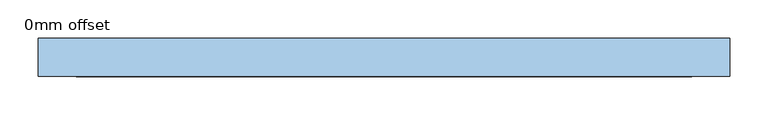
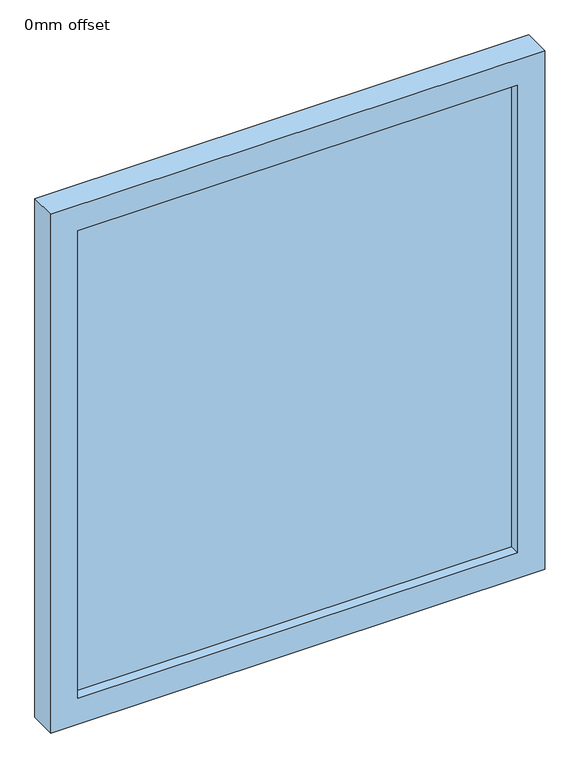
"""IFC4 building model written with IfcOpenShell, lengths in millimetres: window geometry, 0mm offset."""

import ifcopenshell
import ifcopenshell.guid

model = None  # the IFC model being written
_history = None  # IfcOwnerHistory: only IFC2X3 demands one
_inside = {}  # id of a spatial element -> (the spatial element, [elements in it])
_under = {}  # id of a project, library or spatial element -> (it, [spatial elements below it])
_declared = {}  # id of a project -> (the project, [libraries it declares])
_typed = {}  # id of a type object -> (the type object, [elements of that type])
_made_of = {}  # id of a material, layer set ... -> (it, [elements and type objects made of it])


def new_model(schema):
    """Start an empty IFC model of exactly this schema.

    Asked for "IFC4X3", IfcOpenShell would pick the latest addendum, in which some entities
    have other attributes; the version numbers below select the first issue.
    IFC2X3 requires an IfcOwnerHistory on every rooted entity: one is made here for all.
    """
    global model, _history
    if schema == "IFC4X3":
        model = ifcopenshell.file(schema_version=(4, 3, 0, 0))
    else:
        model = ifcopenshell.file(schema=schema)
    _inside.clear()
    _under.clear()
    _declared.clear()
    _typed.clear()
    _made_of.clear()
    _history = None
    if model.schema == "IFC2X3":
        org = make("IfcOrganization", Name="unknown")
        user = make(
            "IfcPersonAndOrganization",
            ThePerson=make("IfcPerson", FamilyName="unknown"),
            TheOrganization=org,
        )
        app = make(
            "IfcApplication",
            ApplicationDeveloper=org,
            Version="unknown",
            ApplicationFullName="unknown",
            ApplicationIdentifier="unknown",
        )
        _history = make(
            "IfcOwnerHistory",
            OwningUser=user,
            OwningApplication=app,
            ChangeAction="ADDED",
            CreationDate=0,
        )
    return model


def make(cls, **values):
    """One entity of the class cls with the attributes given. An attribute that is None is left unset."""
    return model.create_entity(
        cls, **{name: value for name, value in values.items() if value is not None}
    )


def rooted(cls, **values):
    """An entity with a GlobalId (a new one), such as an element, a storey or a relation."""
    return make(cls, GlobalId=ifcopenshell.guid.new(), OwnerHistory=_history, **values)


def si_unit(unit_type, name, prefix=None):
    """IfcSIUnit, for example si_unit("LENGTHUNIT", "METRE", prefix="MILLI")."""
    return make("IfcSIUnit", UnitType=unit_type, Prefix=prefix, Name=name)


def assignment(units):
    """IfcUnitAssignment: the units of a project."""
    return None if units is None else make("IfcUnitAssignment", Units=units)


def point(xyz):
    """IfcCartesianPoint."""
    return None if xyz is None else make("IfcCartesianPoint", Coordinates=xyz)


def direction(xyz):
    """IfcDirection."""
    return None if xyz is None else make("IfcDirection", DirectionRatios=xyz)


def frame(location, z_axis=None, x_axis=None):
    """IfcAxis2Placement3D, a coordinate frame: its origin and axes. An axis left out is left unset."""
    return make(
        "IfcAxis2Placement3D",
        Location=point(location),
        Axis=direction(z_axis),
        RefDirection=direction(x_axis),
    )


def origin():
    """The frame at (0, 0, 0) with its axes left unset."""
    return frame((0.0, 0.0, 0.0))


def place(relative_to, where):
    """IfcLocalPlacement: puts the frame where relative to a parent placement (None: the world)."""
    return make(
        "IfcLocalPlacement", PlacementRelTo=relative_to, RelativePlacement=where
    )


def context(
    kind, dimensions, precision=None, world=None, true_north=None, identifier=None
):
    """IfcGeometricRepresentationContext, for example the 3D "Model" context."""
    return make(
        "IfcGeometricRepresentationContext",
        ContextIdentifier=identifier,
        ContextType=kind,
        CoordinateSpaceDimension=dimensions,
        Precision=precision,
        WorldCoordinateSystem=world,
        TrueNorth=true_north,
    )


def project(units=None, contexts=None):
    """IfcProject with its units and contexts."""
    return rooted(
        "IfcProject",
        Name="project",
        RepresentationContexts=contexts,
        UnitsInContext=assignment(units),
    )


def spatial(cls, under=None, at=None, **own):
    """A site, building, storey or space (cls), placed at a placement, below another one or the project."""
    s = rooted(cls, ObjectPlacement=at, **own)
    if under is not None:
        _under.setdefault(under.id(), (under, []))[1].append(s)
    return s


def polyline(points):
    """IfcPolyline through the points."""
    return make("IfcPolyline", Points=[point(p) for p in points])


def outline(outer, holes=None, kind="AREA"):
    """IfcArbitraryClosedProfileDef: a profile drawn as a closed curve; with holes, ...WithVoids."""
    if holes is None:
        return make("IfcArbitraryClosedProfileDef", ProfileType=kind, OuterCurve=outer)
    return make(
        "IfcArbitraryProfileDefWithVoids",
        ProfileType=kind,
        OuterCurve=outer,
        InnerCurves=holes,
    )


def extrude(swept, where, along, depth):
    """IfcExtrudedAreaSolid: the profile swept, set in the frame where, extruded along a direction by depth."""
    return make(
        "IfcExtrudedAreaSolid",
        SweptArea=swept,
        Position=where,
        ExtrudedDirection=direction(along),
        Depth=depth,
    )


def shape(context_of_items, identifier, shape_type, items):
    """IfcShapeRepresentation: the items that make up one representation, for example the "Body"."""
    return make(
        "IfcShapeRepresentation",
        ContextOfItems=context_of_items,
        RepresentationIdentifier=identifier,
        RepresentationType=shape_type,
        Items=items,
    )


def source(mapping_origin, context_of_items, identifier, shape_type, items):
    """IfcRepresentationMap: a shape defined once, which mapped items show again and again."""
    return make(
        "IfcRepresentationMap",
        MappingOrigin=mapping_origin,
        MappedRepresentation=shape(context_of_items, identifier, shape_type, items),
    )


def transform(
    local_origin,
    x_axis=None,
    y_axis=None,
    z_axis=None,
    scale=None,
    scale2=None,
    scale3=None,
    uniform=True,
):
    """IfcCartesianTransformationOperator3D, or its non-uniform kind. x_axis, y_axis, z_axis: its Axis1, 2, 3."""
    if uniform:
        return make(
            "IfcCartesianTransformationOperator3D",
            Axis1=direction(x_axis),
            Axis2=direction(y_axis),
            LocalOrigin=point(local_origin),
            Scale=scale,
            Axis3=direction(z_axis),
        )
    return make(
        "IfcCartesianTransformationOperator3DnonUniform",
        Axis1=direction(x_axis),
        Axis2=direction(y_axis),
        LocalOrigin=point(local_origin),
        Scale=scale,
        Axis3=direction(z_axis),
        Scale2=scale2,
        Scale3=scale3,
    )


def mapped(mapping_source, mapping_target):
    """IfcMappedItem: shows the shape of a source again, moved by a transform."""
    return make(
        "IfcMappedItem", MappingSource=mapping_source, MappingTarget=mapping_target
    )


def made_of(thing, what):
    """Note that an element or type object is made of a material, layer set ...; save() writes the relation."""
    if what is not None:
        _made_of.setdefault(what.id(), (what, []))[1].append(thing)
    return thing


def element(
    cls,
    number,
    at=None,
    inside=None,
    cuts=None,
    type_object=None,
    material=None,
    context=None,
    identifier="Body",
    shape_type=None,
    held_by="IfcProductDefinitionShape",
    body=None,
    shapes=None,
    **own,
):
    """One element of the class cls, such as IfcWall. Its Tag is "e" and its number.

    at: its placement. inside: the storey or other place that contains it. cuts: it is an
    opening in that element (IfcRelVoidsElement). A single representation is given by context,
    identifier, shape_type and body (its items); several are given by shapes. held_by: the class
    of the entity that holds the representations. save() writes the other relations.
    """
    e = rooted(cls, Tag="e%d" % number, ObjectPlacement=at, **own)
    if body is not None:
        shapes = [shape(context, identifier, shape_type, body)]
    if shapes is not None:
        e.Representation = make(held_by, Representations=shapes)
    if inside is not None:
        _inside.setdefault(inside.id(), (inside, []))[1].append(e)
    if cuts is not None:
        rooted(
            "IfcRelVoidsElement", RelatingBuildingElement=cuts, RelatedOpeningElement=e
        )
    if type_object is not None:
        _typed.setdefault(type_object.id(), (type_object, []))[1].append(e)
    return made_of(e, material)


def aggregate(whole, parts):
    """IfcRelAggregates: a whole, such as a stair, and the parts it consists of."""
    return rooted("IfcRelAggregates", RelatingObject=whole, RelatedObjects=parts)


def save(model, path):
    """Write the relations noted so far, then the file.

    IfcRelAggregates (storeys below a building ...), IfcRelContainedInSpatialStructure (elements
    in a storey), IfcRelDefinesByType, IfcRelAssociatesMaterial and IfcRelDeclares: one each for
    every whole, place, type object, material and project.
    """
    for whole, parts in _under.values():
        aggregate(whole, parts)
    for where, things in _inside.values():
        rooted(
            "IfcRelContainedInSpatialStructure",
            RelatedElements=things,
            RelatingStructure=where,
        )
    for kind, things in _typed.values():
        rooted("IfcRelDefinesByType", RelatedObjects=things, RelatingType=kind)
    for what, things in _made_of.values():
        rooted("IfcRelAssociatesMaterial", RelatedObjects=things, RelatingMaterial=what)
    for by, libraries in _declared.values():
        rooted("IfcRelDeclares", RelatingContext=by, RelatedDefinitions=libraries)
    model.write(path)


def window_0mm_offset_1224bbf1(model_context):
    return source(origin(), model_context, "Body", "SweptSolid", [
        extrude(outline(polyline([(402.5, -30.95), (-402.5, -30.95), (-402.5, -18.25), (402.5, -18.25), (402.5, -30.95)])), frame((0.0, 0.0, 50.0), z_axis=(0.0, 0.0, 1.0), x_axis=(1.0, 0.0, 0.0)), (0.0, 0.0, 1.0), 905.0),
        extrude(outline(polyline([(1005.0, -452.5), (0.0, -452.5), (0.0, 452.5), (1005.0, 452.5), (1005.0, -452.5)]), holes=[polyline([(955.0, -402.5), (955.0, 402.5), (50.0, 402.5), (50.0, -402.5), (955.0, -402.5)])]), frame((0.0, -50.0, 0.0), z_axis=(0.0, 1.0, 0.0), x_axis=(0.0, 0.0, 1.0)), (0.0, 0.0, 1.0), 50.0),
    ])


if __name__ == "__main__":
    model = new_model("IFC4")
    model_context = context("Model", 3, world=origin())
    ifc_project = project(units=[si_unit("LENGTHUNIT", "METRE", prefix="MILLI")], contexts=[model_context])
    site = spatial("IfcSite", under=ifc_project)
    building = spatial("IfcBuilding", under=site)
    placement = place(None, origin())
    window_0mm_offset_shape = window_0mm_offset_1224bbf1(model_context)
    element("IfcWindow", 1, ObjectType="0mm offset", at=placement, inside=building, context=model_context, shape_type="MappedRepresentation", body=[
        mapped(window_0mm_offset_shape, transform((0.0, 0.0, 0.0), x_axis=(1.0, 0.0, 0.0), y_axis=(0.0, 1.0, 0.0), z_axis=(0.0, 0.0, 1.0))),
    ])
    save(model, "model.ifc")
